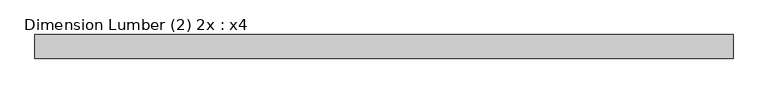
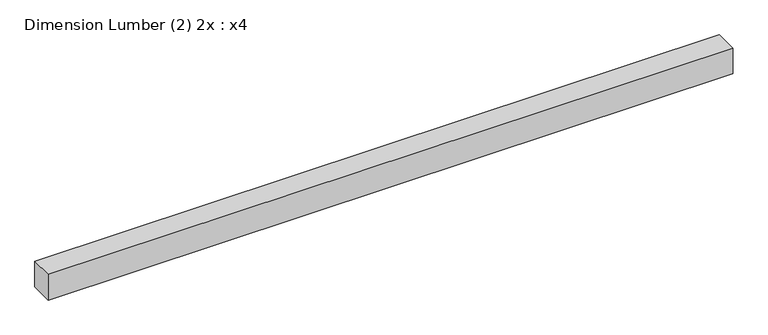
"""IFC4 building model written with IfcOpenShell, lengths in millimetres: beam geometry, Dimension Lumber (2) 2x : x4."""

from ifc_helpers import new_model, si_unit, frame, origin, place, context, project, spatial, polyline, outline, extrude, source, transform, mapped, element, save


def dimension_lumber_2_2x_x4_db38f4b8(model_context):
    return source(origin(), model_context, "Body", "SweptSolid", [
        extrude(outline(polyline([(1126.5928606, 38.1), (1126.5928606, -38.1), (-1126.5928606, -38.1), (-1126.5928606, 38.1), (1126.5928606, 38.1)])), frame((0.0, 0.0, -44.45), z_axis=(0.0, 0.0, 1.0), x_axis=(1.0, 0.0, 0.0)), (0.0, 0.0, 1.0), 88.9),
    ])


if __name__ == "__main__":
    model = new_model("IFC4")
    model_context = context("Model", 3, world=origin())
    ifc_project = project(units=[si_unit("LENGTHUNIT", "METRE", prefix="MILLI")], contexts=[model_context])
    site = spatial("IfcSite", under=ifc_project)
    building = spatial("IfcBuilding", under=site)
    placement = place(None, origin())
    dimension_lumber_2_2x_x4_shape = dimension_lumber_2_2x_x4_db38f4b8(model_context)
    element("IfcBeam", 1, ObjectType="Dimension Lumber (2) 2x : x4", at=placement, inside=building, context=model_context, shape_type="MappedRepresentation", body=[
        mapped(dimension_lumber_2_2x_x4_shape, transform((0.0, 0.0, 0.0), x_axis=(1.0, 0.0, 0.0), y_axis=(0.0, 1.0, 0.0), z_axis=(0.0, 0.0, 1.0))),
    ])
    save(model, "model.ifc")
